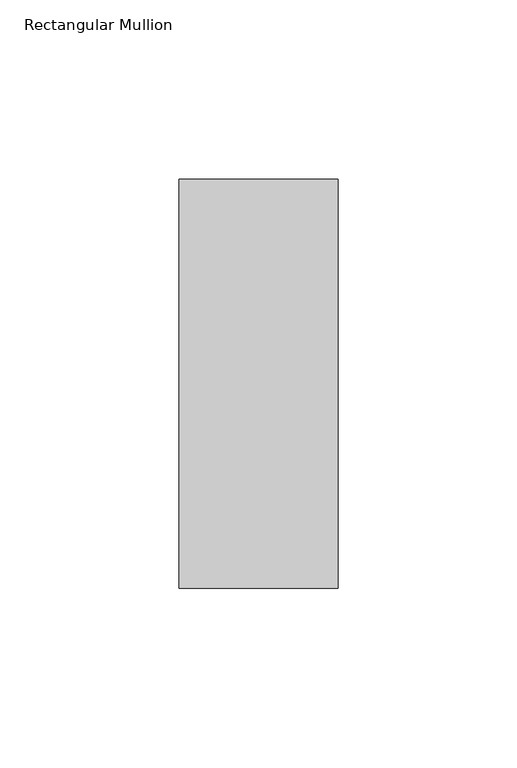
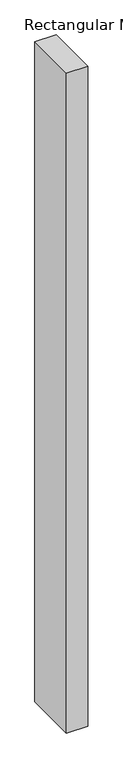
"""IFC4 building model written with IfcOpenShell, lengths in millimetres: member geometry, Rectangular Mullion."""

from ifc_helpers import new_model, si_unit, frame, origin, place, context, project, spatial, polyline, outline, extrude, source, transform, mapped, element, save


def rectangular_mullion_aba5102a(model_context):
    return source(origin(), model_context, "Body", "SweptSolid", [
        extrude(outline(polyline([(0.0, 57.1373), (0.0, -57.1079043), (-44.4386654, -57.1079043), (-44.4386654, 57.1373), (0.0, 57.1373)])), frame((0.0, 0.0, -1457.3363346), z_axis=(0.0, 0.0, 1.0), x_axis=(1.0, 0.0, 0.0)), (0.0, 0.0, 1.0), 1457.3363346),
    ])


if __name__ == "__main__":
    model = new_model("IFC4")
    model_context = context("Model", 3, world=origin())
    ifc_project = project(units=[si_unit("LENGTHUNIT", "METRE", prefix="MILLI")], contexts=[model_context])
    site = spatial("IfcSite", under=ifc_project)
    building = spatial("IfcBuilding", under=site)
    placement = place(None, origin())
    rectangular_mullion_shape = rectangular_mullion_aba5102a(model_context)
    element("IfcMember", 1, ObjectType="Rectangular Mullion", at=placement, inside=building, context=model_context, shape_type="MappedRepresentation", body=[
        mapped(rectangular_mullion_shape, transform((0.0, 0.0, 0.0), x_axis=(1.0, 0.0, 0.0), y_axis=(0.0, 1.0, 0.0), z_axis=(0.0, 0.0, 1.0))),
    ])
    save(model, "model.ifc")
